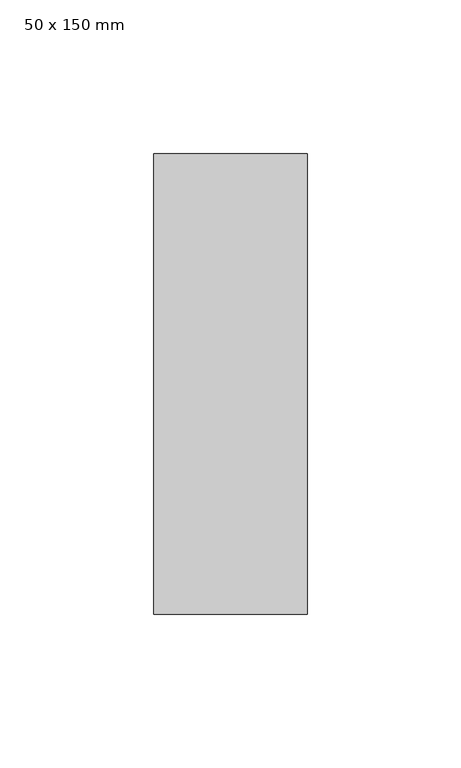
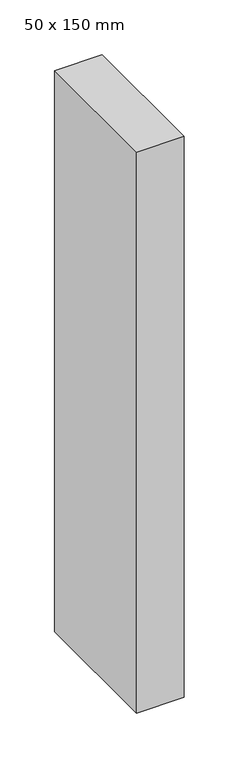
"""IFC4 building model written with IfcOpenShell, lengths in millimetres: member geometry, 50 x 150 mm."""

from ifc_helpers import new_model, si_unit, frame, origin, place, context, project, spatial, polyline, outline, extrude, source, transform, mapped, element, save


def member_50_x_150_mm_7171523c(model_context):
    return source(origin(), model_context, "Body", "SweptSolid", [
        extrude(outline(polyline([(0.0, 75.0), (0.0, -75.0), (-50.0, -75.0), (-50.0, 75.0), (0.0, 75.0)])), frame((0.0, 0.0, -625.0), z_axis=(0.0, 0.0, 1.0), x_axis=(1.0, 0.0, 0.0)), (0.0, 0.0, 1.0), 625.0),
    ])


if __name__ == "__main__":
    model = new_model("IFC4")
    model_context = context("Model", 3, world=origin())
    ifc_project = project(units=[si_unit("LENGTHUNIT", "METRE", prefix="MILLI")], contexts=[model_context])
    site = spatial("IfcSite", under=ifc_project)
    building = spatial("IfcBuilding", under=site)
    placement = place(None, origin())
    member_50_x_150_mm_shape = member_50_x_150_mm_7171523c(model_context)
    element("IfcMember", 1, ObjectType="50 x 150 mm", at=placement, inside=building, context=model_context, shape_type="MappedRepresentation", body=[
        mapped(member_50_x_150_mm_shape, transform((0.0, 0.0, 0.0), x_axis=(1.0, 0.0, 0.0), y_axis=(0.0, 1.0, 0.0), z_axis=(0.0, 0.0, 1.0))),
    ])
    save(model, "model.ifc")
